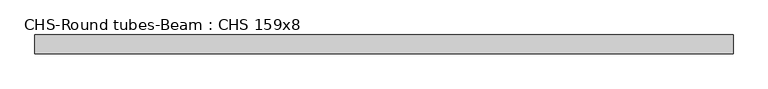
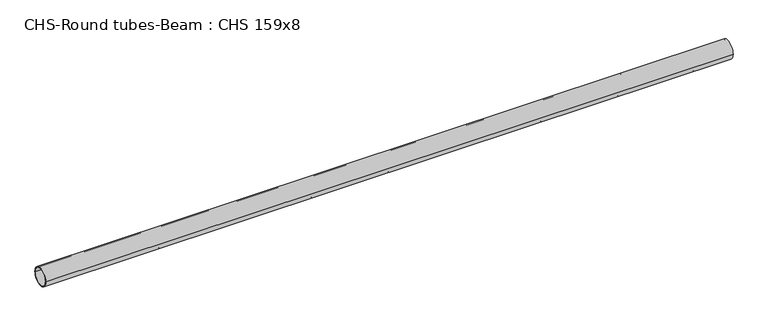
"""IFC4 building model written with IfcOpenShell, lengths in millimetres: beam geometry, CHS-Round tubes-Beam : CHS 159x8."""

from ifc_helpers import new_model, si_unit, point, frame, origin, origin_2d, place, context, project, spatial, circle_curve, trimmed, segment, composite_curve, outline, extrude, source, transform, mapped, element, save


def chs_round_tubes_beam_chs_159x8_ad729d78(model_context):
    return source(origin(), model_context, "Body", "SweptSolid", [
        extrude(outline(composite_curve([segment(trimmed(circle_curve(origin_2d(), 79.5), [point((79.5, 0.0))], [point((-79.5, 0.0))], False, "CARTESIAN"), True, "CONTINUOUS"), segment(trimmed(circle_curve(origin_2d(), 79.5), [point((-79.5, 0.0))], [point((79.5, 0.0))], False, "CARTESIAN"), True, "CONTINUOUS")], self_intersect=False), holes=[composite_curve([segment(trimmed(circle_curve(origin_2d(), 71.5), [point((71.5, 0.0))], [point((-71.5, 0.0))], True, "CARTESIAN"), True, "CONTINUOUS"), segment(trimmed(circle_curve(origin_2d(), 71.5), [point((-71.5, 0.0))], [point((71.5, 0.0))], True, "CARTESIAN"), True, "CONTINUOUS")], self_intersect=False)]), frame((-2941.205812, 0.0, 0.0), z_axis=(1.0, 0.0, 0.0), x_axis=(0.0, 1.0, 0.0)), (0.0, 0.0, 1.0), 5882.4116241),
    ])


if __name__ == "__main__":
    model = new_model("IFC4")
    model_context = context("Model", 3, world=origin())
    ifc_project = project(units=[si_unit("LENGTHUNIT", "METRE", prefix="MILLI")], contexts=[model_context])
    site = spatial("IfcSite", under=ifc_project)
    building = spatial("IfcBuilding", under=site)
    placement = place(None, origin())
    chs_round_tubes_beam_chs_159x8_shape = chs_round_tubes_beam_chs_159x8_ad729d78(model_context)
    element("IfcBeam", 1, ObjectType="CHS-Round tubes-Beam : CHS 159x8", at=placement, inside=building, context=model_context, shape_type="MappedRepresentation", body=[
        mapped(chs_round_tubes_beam_chs_159x8_shape, transform((0.0, 0.0, 0.0), x_axis=(1.0, 0.0, 0.0), y_axis=(0.0, 1.0, 0.0), z_axis=(0.0, 0.0, 1.0))),
    ])
    save(model, "model.ifc")
